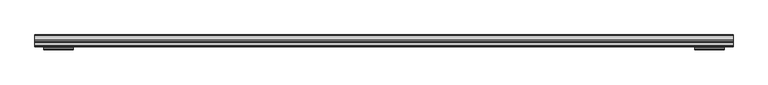
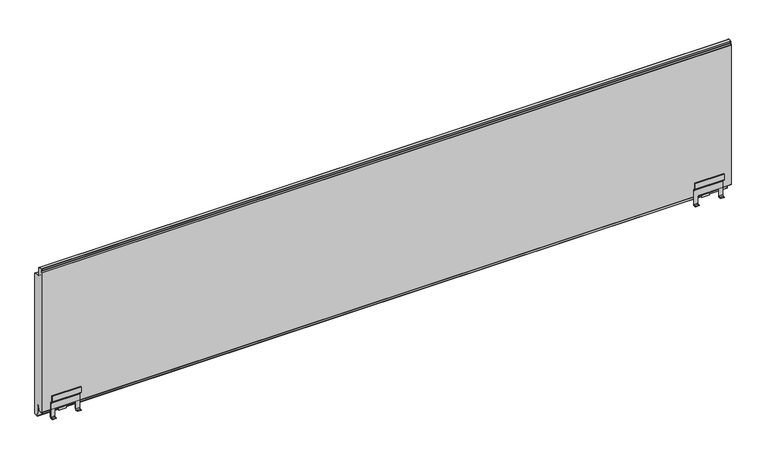
"""IFC4 building model written with IfcOpenShell, lengths in millimetres: plate geometry."""

from ifc_helpers import new_model, si_unit, point, frame, frame_2d, origin, place, context, project, spatial, polyline, circle_curve, trimmed, segment, composite_curve, outline, extrude, source, transform, mapped, element, save
from ifc_brep_helpers import plane_surface, cylinder_surface, revolved_surface, advanced_brep


def plate_a32ecf56(model_context):
    return source(origin(), model_context, "Body", "SolidModel", [
        advanced_brep(
        [(872.0, 133.5, 63.0766942), (872.0, 132.0, 63.0766942), (872.0, 132.0, 48.0751213), (872.0, 133.0251263, 45.6002476), (872.0, 137.9142136, 40.7111603), (872.0, 138.5, 39.2969467), (872.0, 138.5, 1.7954343), (872.0, 136.5, -0.2045657), (872.0, 132.0000052, -0.2045657), (872.0, 132.0000052, -1.7045657), (872.0, 136.5, -1.7045657), (872.0, 140.0, 1.7954343), (872.0, 140.0, 39.2969467), (872.0, 138.9748737, 41.7718205), (872.0, 134.0857864, 46.6609078), (872.0, 133.5, 48.0751213), (796.9999948, 133.5, 63.0766942), (796.9999948, 133.5, 48.0751213), (796.9999948, 134.0857864, 46.6609078), (796.9999948, 138.9748737, 41.7718205), (796.9999948, 140.0, 39.2969467), (796.9999948, 140.0, 1.7954343), (796.9999948, 136.5, -1.7045657), (796.9999948, 132.0000052, -1.7045657), (796.9999948, 132.0000052, -0.2045657), (796.9999948, 136.5, -0.2045657), (796.9999948, 138.5, 1.7954343), (796.9999948, 138.5, 39.2969467), (796.9999948, 137.9142136, 40.7111603), (796.9999948, 133.0251263, 45.6002476), (796.9999948, 132.0, 48.0751213), (796.9999948, 132.0, 63.0766942), (806.9999948, 138.5, 1.7954343), (806.9999948, 138.5, 21.4949549), (808.4999948, 138.5, 21.4949549), (860.4999948, 138.5, 21.5), (861.9999948, 138.5, 21.4949549), (861.9999948, 138.5, 1.7954343), (861.9999948, 136.5, -0.2045657), (806.9999948, 136.5, -0.2045657), (861.9999948, 132.0000052, -0.2045657), (806.9999948, 132.0000052, -0.2045657), (861.9999948, 132.0000052, -1.7045657), (806.9999948, 132.0000052, -1.7045657), (861.9999948, 136.5, -1.7045657), (806.9999948, 136.5, -1.7045657), (861.9999948, 140.0, 1.7954343), (806.9999948, 140.0, 1.7954343), (861.9999948, 140.0, 21.4949549), (860.4999948, 140.0, 21.4949549), (808.4999948, 140.0, 21.5), (806.9999948, 140.0, 21.4949549), (860.4999948, 142.0, 19.5), (860.4999948, 139.9736841, 18.6462229), (860.4999948, 141.9999999, 18.0), (860.4999948, 150.5069508, 18.0), (860.4999948, 152.2536916, 18.4670317), (860.4999948, 153.9952504, 21.1949549), (860.4999948, 155.2506896, 31.8238549), (860.4999948, 153.7617614, 32.0), (860.4999948, 152.4938373, 21.2653996), (860.4999948, 150.5076443, 19.5), (808.4999948, 142.0, 19.5), (808.4999948, 150.5076443, 19.5), (808.4999948, 152.4938373, 21.2653996), (808.4999948, 153.7617614, 32.0), (808.4999948, 155.2506896, 31.8238549), (808.4999948, 153.9952504, 21.1949549), (808.4999948, 152.2536916, 18.4670317), (808.4999948, 150.5069508, 18.0), (808.4999948, 147.9501547, 18.0), (808.4999948, 141.9999999, 18.0), (808.4999948, 140.0, 18.6277187), (824.9999948, 150.5069508, 18.0), (843.9999948, 150.5069508, 18.0), (824.9999948, 152.2536916, 18.4670317), (843.9999948, 152.2536916, 18.4670317), (843.9999948, 151.2000052, 3.0), (824.9999948, 151.2000052, 3.0), (843.9999948, 152.6965553, 2.8983251), (824.9999948, 152.6965553, 2.8983251), (843.9999948, 153.9952504, 21.1949549), (824.9999948, 153.9952504, 21.1949549), (824.9999948, 155.2506896, 31.8238549), (843.9999948, 155.2506896, 31.8238549)],
        [
            (0, 1),
            (1, 2),
            (2, 3, circle_curve(frame((872.0, 135.5, 48.0751213), z_axis=(1.0, 0.0, 0.0), x_axis=(0.0, 1.0, 0.0)), 3.5)),
            (3, 4),
            (4, 5, circle_curve(frame((872.0, 136.5, 39.2969467), z_axis=(-1.0, 0.0, 0.0), x_axis=(0.0, 1.0, 0.0)), 2.0)),
            (5, 6),
            (6, 7, circle_curve(frame((872.0, 136.5, 1.7954343), z_axis=(-1.0, 0.0, 0.0), x_axis=(0.0, 1.0, 0.0)), 2.0)),
            (7, 8),
            (8, 9),
            (9, 10),
            (10, 11, circle_curve(frame((872.0, 136.5, 1.7954343), z_axis=(1.0, 0.0, 0.0), x_axis=(0.0, 1.0, 0.0)), 3.5)),
            (11, 12),
            (12, 13, circle_curve(frame((872.0, 136.5, 39.2969467), z_axis=(1.0, 0.0, 0.0), x_axis=(0.0, 1.0, 0.0)), 3.5)),
            (13, 14),
            (14, 15, circle_curve(frame((872.0, 135.5, 48.0751213), z_axis=(-1.0, 0.0, 0.0), x_axis=(0.0, 1.0, 0.0)), 2.0)),
            (15, 0),
            (16, 17),
            (17, 18, circle_curve(frame((796.9999948, 135.5, 48.0751213), z_axis=(1.0, 0.0, 0.0), x_axis=(0.0, 1.0, 0.0)), 2.0)),
            (18, 19),
            (19, 20, circle_curve(frame((796.9999948, 136.5, 39.2969467), z_axis=(-1.0, 0.0, 0.0), x_axis=(0.0, 1.0, 0.0)), 3.5)),
            (20, 21),
            (21, 22, circle_curve(frame((796.9999948, 136.5, 1.7954343), z_axis=(-1.0, 0.0, 0.0), x_axis=(0.0, 1.0, 0.0)), 3.5)),
            (22, 23),
            (23, 24),
            (24, 25),
            (25, 26, circle_curve(frame((796.9999948, 136.5, 1.7954343), z_axis=(1.0, 0.0, 0.0), x_axis=(0.0, 1.0, 0.0)), 2.0)),
            (26, 27),
            (27, 28, circle_curve(frame((796.9999948, 136.5, 39.2969467), z_axis=(1.0, 0.0, 0.0), x_axis=(0.0, 1.0, 0.0)), 2.0)),
            (28, 29),
            (29, 30, circle_curve(frame((796.9999948, 135.5, 48.0751213), z_axis=(-1.0, 0.0, 0.0), x_axis=(0.0, 1.0, 0.0)), 3.5)),
            (30, 31),
            (31, 16),
            (0, 16),
            (31, 1),
            (30, 2),
            (29, 3),
            (28, 4),
            (27, 5),
            (26, 32),
            (32, 33),
            (33, 34),
            (34, 35),
            (35, 36),
            (36, 37),
            (37, 6),
            (37, 38, circle_curve(frame((861.9999948, 136.5, 1.7954343), z_axis=(-1.0, 0.0, 0.0), x_axis=(0.0, 1.0, 0.0)), 2.0)),
            (38, 7),
            (25, 39),
            (39, 32, circle_curve(frame((806.9999948, 136.5, 1.7954343), z_axis=(1.0, 0.0, 0.0), x_axis=(0.0, 1.0, 0.0)), 2.0)),
            (38, 40),
            (40, 8),
            (24, 41),
            (41, 39),
            (40, 42),
            (42, 9),
            (23, 43),
            (43, 41),
            (42, 44),
            (44, 10),
            (22, 45),
            (45, 43),
            (44, 46, circle_curve(frame((861.9999948, 136.5, 1.7954343), z_axis=(1.0, 0.0, 0.0), x_axis=(0.0, 1.0, 0.0)), 3.5)),
            (46, 11),
            (21, 47),
            (47, 45, circle_curve(frame((806.9999948, 136.5, 1.7954343), z_axis=(-1.0, 0.0, 0.0), x_axis=(0.0, 1.0, 0.0)), 3.5)),
            (46, 48),
            (48, 49),
            (49, 50),
            (50, 51),
            (51, 47),
            (20, 12),
            (19, 13),
            (18, 14),
            (17, 15),
            (36, 48),
            (51, 33),
            (35, 49),
            (50, 34),
            (52, 49, circle_curve(frame((860.4999948, 142.0, 21.5), z_axis=(-1.0, 0.0, 0.0), x_axis=(0.0, 1.0, 0.0)), 2.0)),
            (35, 53, circle_curve(frame((860.4999948, 142.0, 21.5), z_axis=(1.0, 0.0, 0.0), x_axis=(0.0, 1.0, 0.0)), 3.5)),
            (53, 54, circle_curve(frame((860.4999948, 141.9999999, 21.5), z_axis=(1.0, 0.0, 0.0), x_axis=(0.0, 1.0, 0.0)), 3.5)),
            (54, 55),
            (55, 56, circle_curve(frame((860.4999948, 150.5069508, 21.5), z_axis=(1.0, 0.0, 0.0), x_axis=(0.0, 1.0, 0.0)), 3.5)),
            (56, 57, circle_curve(frame((860.4999948, 150.502195, 21.5051049), z_axis=(1.0, 0.0, 0.0), x_axis=(0.0, 1.0, 0.0)), 3.5067975)),
            (57, 58),
            (58, 59),
            (59, 60),
            (60, 61, circle_curve(frame((860.4999948, 150.5076443, 21.5), z_axis=(-1.0, 0.0, 0.0), x_axis=(0.0, 1.0, 0.0)), 2.0)),
            (61, 52),
            (62, 63),
            (63, 64, circle_curve(frame((808.4999948, 150.5076443, 21.5), z_axis=(1.0, 0.0, 0.0), x_axis=(0.0, 1.0, 0.0)), 2.0)),
            (64, 65),
            (65, 66),
            (66, 67),
            (67, 68, circle_curve(frame((808.4999948, 150.502195, 21.5051049), z_axis=(-1.0, 0.0, 0.0), x_axis=(0.0, 1.0, 0.0)), 3.5067975)),
            (68, 69, circle_curve(frame((808.4999948, 150.5069508, 21.5), z_axis=(-1.0, 0.0, 0.0), x_axis=(0.0, 1.0, 0.0)), 3.5)),
            (69, 70),
            (70, 71),
            (71, 72, circle_curve(frame((808.4999948, 141.9999999, 21.5), z_axis=(-1.0, 0.0, 0.0), x_axis=(0.0, 1.0, 0.0)), 3.5)),
            (72, 34, circle_curve(frame((808.4999948, 142.0, 21.5), z_axis=(-1.0, 0.0, 0.0), x_axis=(0.0, 1.0, 0.0)), 3.5)),
            (50, 62, circle_curve(frame((808.4999948, 142.0, 21.5), z_axis=(1.0, 0.0, 0.0), x_axis=(0.0, 1.0, 0.0)), 2.0)),
            (52, 62),
            (72, 53),
            (71, 54),
            (69, 73),
            (73, 74),
            (74, 55),
            (68, 75),
            (75, 76),
            (76, 56),
            (77, 76),
            (75, 78),
            (78, 77),
            (79, 77),
            (78, 80),
            (80, 79),
            (81, 79),
            (80, 82),
            (82, 81),
            (57, 81),
            (82, 67),
            (66, 83),
            (83, 84),
            (84, 58),
            (65, 59),
            (64, 60),
            (63, 61),
            (81, 76, circle_curve(frame((843.9999948, 150.502195, 21.5051049), z_axis=(-1.0, 0.0, 0.0), x_axis=(0.0, 1.0, 0.0)), 3.5067975)),
            (75, 82, circle_curve(frame((824.9999948, 150.502195, 21.5051049), z_axis=(1.0, 0.0, 0.0), x_axis=(0.0, 1.0, 0.0)), 3.5067975)),
        ],
        [
            plane_surface(frame((872.0, 132.0, 63.7908685), z_axis=(1.0, 0.0, 0.0), x_axis=(0.0, 1.0, 0.0))),
            plane_surface(frame((796.9999948, 132.0, 63.7908685), z_axis=(-1.0, 0.0, 0.0), x_axis=(0.0, 1.0, 0.0))),
            plane_surface(frame((872.0, 133.5, 63.0766942), z_axis=(0.0, 0.0, 1.0), x_axis=(-1.0, 0.0, 0.0))),
            plane_surface(frame((872.0, 132.0, 63.0766942), z_axis=(0.0, -1.0, 0.0), x_axis=(-1.0, 0.0, 0.0))),
            cylinder_surface(frame((872.0, 135.5, 48.0751213), z_axis=(1.0, 0.0, 0.0), x_axis=(0.0, 1.0, 0.0)), 3.5),
            plane_surface(frame((872.0, 133.0251263, 45.6002476), z_axis=(0.0, -0.7071067811823375, -0.7071067811907575), x_axis=(-1.0, 0.0, 0.0))),
            revolved_surface(polyline([(796.9999948, 138.5, 39.2969467), (872.0, 138.5, 39.2969467)]), (872.0, 136.5, 39.2969467), (-1.0, 0.0, 0.0)),
            plane_surface(frame((872.0, 138.5, 39.2969467), z_axis=(0.0, -1.0, 0.0), x_axis=(-1.0, 0.0, 0.0))),
            revolved_surface(polyline([(861.9999948, 138.5, 1.7954343), (872.0, 138.5, 1.7954343)]), (872.0, 136.5, 1.7954343), (-1.0, 0.0, 0.0)),
            revolved_surface(polyline([(796.9999948, 138.5, 1.7954343), (806.9999948, 138.5, 1.7954343)]), (872.0, 136.5, 1.7954343), (-1.0, 0.0, 0.0)),
            plane_surface(frame((872.0, 136.5, -0.2045657), z_axis=(0.0, 0.0, 1.0), x_axis=(-1.0, 0.0, 0.0))),
            plane_surface(frame((872.0, 132.0000052, -0.2045657), z_axis=(0.0, -1.0, 0.0), x_axis=(-1.0, 0.0, 0.0))),
            plane_surface(frame((872.0, 132.0000052, -1.7045657), z_axis=(0.0, 0.0, -1.0), x_axis=(-1.0, 0.0, 0.0))),
            cylinder_surface(frame((872.0, 136.5, 1.7954343), z_axis=(1.0, 0.0, 0.0), x_axis=(0.0, 1.0, 0.0)), 3.5),
            plane_surface(frame((872.0, 140.0, 1.7954343), z_axis=(0.0, 1.0, 0.0), x_axis=(-1.0, 0.0, 0.0))),
            cylinder_surface(frame((872.0, 136.5, 39.2969467), z_axis=(1.0, 0.0, 0.0), x_axis=(0.0, 1.0, 0.0)), 3.5),
            plane_surface(frame((872.0, 138.9748737, 41.7718205), z_axis=(0.0, 0.707106781190757, 0.707106781182338), x_axis=(-1.0, 0.0, 0.0))),
            revolved_surface(polyline([(796.9999948, 137.5, 48.0751213), (872.0, 137.5, 48.0751213)]), (872.0, 135.5, 48.0751213), (-1.0, 0.0, 0.0)),
            plane_surface(frame((872.0, 133.5, 48.0751213), z_axis=(0.0, 1.0, 0.0), x_axis=(-1.0, 0.0, 0.0))),
            plane_surface(frame((861.9999948, 140.0, 21.4949549), z_axis=(-1.0, 0.0, 0.0), x_axis=(0.0, -1.0, 0.0))),
            plane_surface(frame((806.9999948, 140.0, -2.7091315), z_axis=(1.0, 0.0, 0.0), x_axis=(0.0, -1.0, 0.0))),
            plane_surface(frame((806.9999948, 140.0, 21.4949549), z_axis=(0.0, 0.0, -1.0), x_axis=(0.0, -1.0, 0.0))),
            plane_surface(frame((860.4999948, 132.0, 32.4954343), z_axis=(1.0, 0.0, 0.0), x_axis=(0.0, 1.0, 0.0))),
            plane_surface(frame((808.4999948, 132.0, 32.4954343), z_axis=(-1.0, 0.0, 0.0), x_axis=(0.0, 1.0, 0.0))),
            revolved_surface(polyline([(808.4999948, 144.0, 21.5), (860.4999948, 144.0, 21.5)]), (860.4999948, 142.0, 21.5), (-1.0, 0.0, 0.0)),
            cylinder_surface(frame((860.4999948, 142.0, 21.5), z_axis=(1.0, 0.0, 0.0), x_axis=(0.0, 1.0, 0.0)), 3.5),
            cylinder_surface(frame((860.4999948, 141.9999999, 21.5), z_axis=(1.0, 0.0, 0.0), x_axis=(0.0, 1.0, 0.0)), 3.5),
            plane_surface(frame((860.4999948, 141.9999999, 18.0), z_axis=(0.0, 0.0, -1.0), x_axis=(-1.0, 0.0, 0.0))),
            cylinder_surface(frame((860.4999948, 150.5069508, 21.5), z_axis=(1.0, 0.0, 0.0), x_axis=(0.0, 1.0, 0.0)), 3.5),
            plane_surface(frame((860.4999948, 152.2536916, 18.4670317), z_axis=(0.0, -0.9976875606869263, 0.06796713360566971), x_axis=(-1.0, 0.0, 0.0))),
            plane_surface(frame((860.4999948, 151.2000052, 3.0), z_axis=(0.0, -0.06778329456574599, -0.9977000676444867), x_axis=(-1.0, 0.0, 0.0))),
            plane_surface(frame((860.4999948, 152.6965553, 2.8983251), z_axis=(0.0, 0.9974903975436773, -0.07080188421332127), x_axis=(-1.0, 0.0, 0.0))),
            plane_surface(frame((860.4999948, 154.500471, 25.4722938), z_axis=(0.0, 0.9930964999268389, -0.11730022094208546), x_axis=(-1.0, 0.0, 0.0))),
            plane_surface(frame((860.4999948, 155.2506896, 31.8238549), z_axis=(0.0, 0.11748400802588121, 0.9930747745553579), x_axis=(-1.0, 0.0, 0.0))),
            plane_surface(frame((860.4999948, 153.7617614, 32.0), z_axis=(0.0, -0.9930964999255651, 0.1173002209528698), x_axis=(-1.0, 0.0, 0.0))),
            revolved_surface(polyline([(808.4999948, 152.5076443, 21.5), (860.4999948, 152.5076443, 21.5)]), (860.4999948, 150.5076443, 21.5), (-1.0, 0.0, 0.0)),
            plane_surface(frame((860.4999948, 150.5076443, 19.5), z_axis=(0.0, 0.0, 1.0), x_axis=(-1.0, 0.0, 0.0))),
            plane_surface(frame((843.9999948, 154.0089925, 21.5051049), z_axis=(1.0, 0.0, 0.0), x_axis=(0.0, 0.0, 1.0))),
            cylinder_surface(frame((860.4999948, 150.502195, 21.5051049), z_axis=(1.0, 0.0, 0.0), x_axis=(0.0, 1.0, 0.0)), 3.5067975),
            plane_surface(frame((824.9999948, 154.0089925, 21.5051049), z_axis=(-1.0, 0.0, 0.0), x_axis=(0.0, 0.0, -1.0))),
            cylinder_surface(frame((824.9999948, 150.502195, 21.5051049), z_axis=(1.0, 0.0, 0.0), x_axis=(0.0, 1.0, 0.0)), 3.5067975),
        ],
        [
            (0, [[1, 2, 3, 4, 5, 6, 7, 8, 9, 10, 11, 12, 13, 14, 15, 16]]),
            (1, [[17, 18, 19, 20, 21, 22, 23, 24, 25, 26, 27, 28, 29, 30, 31, 32]]),
            (2, [[-1, 33, -32, 34]]),
            (3, [[-2, -34, -31, 35]]),
            (4, [[-3, -35, -30, 36]]),
            (5, [[-4, -36, -29, 37]]),
            (6, [[-5, -37, -28, 38]]),
            (7, [[-6, -38, -27, 39, 40, 41, 42, 43, 44, 45]]),
            (8, [[-7, -45, 46, 47]]),
            (9, [[-26, 48, 49, -39]]),
            (10, [[-8, -47, 50, 51]]),
            (10, [[-25, 52, 53, -48]]),
            (11, [[-9, -51, 54, 55]]),
            (11, [[-24, 56, 57, -52]]),
            (12, [[-10, -55, 58, 59]]),
            (12, [[-23, 60, 61, -56]]),
            (13, [[-11, -59, 62, 63]]),
            (13, [[-22, 64, 65, -60]]),
            (14, [[-12, -63, 66, 67, 68, 69, 70, -64, -21, 71]]),
            (15, [[-13, -71, -20, 72]]),
            (16, [[-14, -72, -19, 73]]),
            (17, [[-15, -73, -18, 74]]),
            (18, [[-16, -74, -17, -33]]),
            (19, [[75, -66, -62, -58, -54, -50, -46, -44]]),
            (20, [[76, -40, -49, -53, -57, -61, -65, -70]]),
            (21, [[-75, -43, 77, -67]]),
            (21, [[-76, -69, 78, -41]]),
            (22, [[79, -77, 80, 81, 82, 83, 84, 85, 86, 87, 88, 89]]),
            (23, [[90, 91, 92, 93, 94, 95, 96, 97, 98, 99, 100, -78, 101]]),
            (24, [[-79, 102, -101, -68]]),
            (25, [[-80, -42, -100, 103]]),
            (26, [[-81, -103, -99, 104]]),
            (27, [[-82, -104, -98, -97, 105, 106, 107]]),
            (28, [[-83, -107, -106, -105, -96, 108, 109, 110]]),
            (29, [[111, -109, 112, 113]]),
            (30, [[114, -113, 115, 116]]),
            (31, [[117, -116, 118, 119]]),
            (32, [[-85, 120, -119, 121, -94, 122, 123, 124]]),
            (33, [[-86, -124, -123, -122, -93, 125]]),
            (34, [[-87, -125, -92, 126]]),
            (35, [[-88, -126, -91, 127]]),
            (36, [[-89, -127, -90, -102]]),
            (37, [[128, -111, -114, -117]]),
            (38, [[-128, -120, -84, -110]]),
            (39, [[129, -118, -115, -112]]),
            (40, [[-129, -108, -95, -121]]),
        ],
    ),
        advanced_brep(
        [(-872.0, 133.5, 63.0766942), (-872.0, 133.5, 48.0751213), (-872.0, 134.0857864, 46.6609078), (-872.0, 138.9748737, 41.7718205), (-872.0, 140.0, 39.2969467), (-872.0, 140.0, 1.7954343), (-872.0, 136.5, -1.7045657), (-872.0, 132.0000052, -1.7045657), (-872.0, 132.0000052, -0.2045657), (-872.0, 136.5, -0.2045657), (-872.0, 138.5, 1.7954343), (-872.0, 138.5, 39.2969467), (-872.0, 137.9142136, 40.7111603), (-872.0, 133.0251263, 45.6002476), (-872.0, 132.0, 48.0751213), (-872.0, 132.0, 63.0766942), (-796.9999948, 133.5, 63.0766942), (-796.9999948, 132.0, 63.0766942), (-796.9999948, 132.0, 48.0751213), (-796.9999948, 133.0251263, 45.6002476), (-796.9999948, 137.9142136, 40.7111603), (-796.9999948, 138.5, 39.2969467), (-796.9999948, 138.5, 1.7954343), (-796.9999948, 136.5, -0.2045657), (-796.9999948, 132.0000052, -0.2045657), (-796.9999948, 132.0000052, -1.7045657), (-796.9999948, 136.5, -1.7045657), (-796.9999948, 140.0, 1.7954343), (-796.9999948, 140.0, 39.2969467), (-796.9999948, 138.9748737, 41.7718205), (-796.9999948, 134.0857864, 46.6609078), (-796.9999948, 133.5, 48.0751213), (-861.9999948, 138.5, 1.7954343), (-861.9999948, 138.5, 21.4949549), (-860.4999948, 138.5, 21.4949549), (-808.4999948, 138.5, 21.5), (-806.9999948, 138.5, 21.4949549), (-806.9999948, 138.5, 1.7954343), (-806.9999948, 136.5, -0.2045657), (-861.9999948, 136.5, -0.2045657), (-806.9999948, 132.0000052, -0.2045657), (-861.9999948, 132.0000052, -0.2045657), (-806.9999948, 132.0000052, -1.7045657), (-861.9999948, 132.0000052, -1.7045657), (-806.9999948, 136.5, -1.7045657), (-861.9999948, 136.5, -1.7045657), (-806.9999948, 140.0, 1.7954343), (-861.9999948, 140.0, 1.7954343), (-806.9999948, 140.0, 21.4949549), (-808.4999948, 140.0, 21.4949549), (-860.4999948, 140.0, 21.5), (-861.9999948, 140.0, 21.4949549), (-860.4999948, 142.0, 19.5), (-860.4999948, 150.5076443, 19.5), (-860.4999948, 152.4938373, 21.2653996), (-860.4999948, 153.7617614, 32.0), (-860.4999948, 155.2506896, 31.8238549), (-860.4999948, 153.9952504, 21.1949549), (-860.4999948, 152.2536916, 18.4670317), (-860.4999948, 150.5069508, 18.0), (-860.4999948, 141.9999999, 18.0), (-860.4999948, 140.0, 18.6277187), (-808.4999948, 142.0, 19.5), (-808.4999948, 139.9736841, 18.6462229), (-808.4999948, 141.9999999, 18.0), (-808.4999948, 147.9501547, 18.0), (-808.4999948, 150.5069508, 18.0), (-808.4999948, 152.2536916, 18.4670317), (-808.4999948, 153.9952504, 21.1949549), (-808.4999948, 155.2506896, 31.8238549), (-808.4999948, 153.7617614, 32.0), (-808.4999948, 152.4938373, 21.2653996), (-808.4999948, 150.5076443, 19.5), (-843.9999948, 150.5069508, 18.0), (-824.9999948, 150.5069508, 18.0), (-843.9999948, 152.2536916, 18.4670317), (-824.9999948, 152.2536916, 18.4670317), (-843.9999948, 151.2000052, 3.0), (-824.9999948, 151.2000052, 3.0), (-843.9999948, 152.6965553, 2.8983251), (-824.9999948, 152.6965553, 2.8983251), (-843.9999948, 153.9952504, 21.1949549), (-824.9999948, 153.9952504, 21.1949549), (-843.9999948, 155.2506896, 31.8238549), (-824.9999948, 155.2506896, 31.8238549)],
        [
            (0, 1),
            (1, 2, circle_curve(frame((-872.0, 135.5, 48.0751213), z_axis=(1.0, 0.0, 0.0), x_axis=(0.0, 1.0, 0.0)), 2.0)),
            (2, 3),
            (3, 4, circle_curve(frame((-872.0, 136.5, 39.2969467), z_axis=(-1.0, 0.0, 0.0), x_axis=(0.0, 1.0, 0.0)), 3.5)),
            (4, 5),
            (5, 6, circle_curve(frame((-872.0, 136.5, 1.7954343), z_axis=(-1.0, 0.0, 0.0), x_axis=(0.0, 1.0, 0.0)), 3.5)),
            (6, 7),
            (7, 8),
            (8, 9),
            (9, 10, circle_curve(frame((-872.0, 136.5, 1.7954343), z_axis=(1.0, 0.0, 0.0), x_axis=(0.0, 1.0, 0.0)), 2.0)),
            (10, 11),
            (11, 12, circle_curve(frame((-872.0, 136.5, 39.2969467), z_axis=(1.0, 0.0, 0.0), x_axis=(0.0, 1.0, 0.0)), 2.0)),
            (12, 13),
            (13, 14, circle_curve(frame((-872.0, 135.5, 48.0751213), z_axis=(-1.0, 0.0, 0.0), x_axis=(0.0, 1.0, 0.0)), 3.5)),
            (14, 15),
            (15, 0),
            (16, 17),
            (17, 18),
            (18, 19, circle_curve(frame((-796.9999948, 135.5, 48.0751213), z_axis=(1.0, 0.0, 0.0), x_axis=(0.0, 1.0, 0.0)), 3.5)),
            (19, 20),
            (20, 21, circle_curve(frame((-796.9999948, 136.5, 39.2969467), z_axis=(-1.0, 0.0, 0.0), x_axis=(0.0, 1.0, 0.0)), 2.0)),
            (21, 22),
            (22, 23, circle_curve(frame((-796.9999948, 136.5, 1.7954343), z_axis=(-1.0, 0.0, 0.0), x_axis=(0.0, 1.0, 0.0)), 2.0)),
            (23, 24),
            (24, 25),
            (25, 26),
            (26, 27, circle_curve(frame((-796.9999948, 136.5, 1.7954343), z_axis=(1.0, 0.0, 0.0), x_axis=(0.0, 1.0, 0.0)), 3.5)),
            (27, 28),
            (28, 29, circle_curve(frame((-796.9999948, 136.5, 39.2969467), z_axis=(1.0, 0.0, 0.0), x_axis=(0.0, 1.0, 0.0)), 3.5)),
            (29, 30),
            (30, 31, circle_curve(frame((-796.9999948, 135.5, 48.0751213), z_axis=(-1.0, 0.0, 0.0), x_axis=(0.0, 1.0, 0.0)), 2.0)),
            (31, 16),
            (15, 17),
            (16, 0),
            (14, 18),
            (13, 19),
            (12, 20),
            (11, 21),
            (10, 32),
            (32, 33),
            (33, 34),
            (34, 35),
            (35, 36),
            (36, 37),
            (37, 22),
            (37, 38, circle_curve(frame((-806.9999948, 136.5, 1.7954343), z_axis=(-1.0, 0.0, 0.0), x_axis=(0.0, 1.0, 0.0)), 2.0)),
            (38, 23),
            (9, 39),
            (39, 32, circle_curve(frame((-861.9999948, 136.5, 1.7954343), z_axis=(1.0, 0.0, 0.0), x_axis=(0.0, 1.0, 0.0)), 2.0)),
            (38, 40),
            (40, 24),
            (8, 41),
            (41, 39),
            (40, 42),
            (42, 25),
            (7, 43),
            (43, 41),
            (42, 44),
            (44, 26),
            (6, 45),
            (45, 43),
            (44, 46, circle_curve(frame((-806.9999948, 136.5, 1.7954343), z_axis=(1.0, 0.0, 0.0), x_axis=(0.0, 1.0, 0.0)), 3.5)),
            (46, 27),
            (5, 47),
            (47, 45, circle_curve(frame((-861.9999948, 136.5, 1.7954343), z_axis=(-1.0, 0.0, 0.0), x_axis=(0.0, 1.0, 0.0)), 3.5)),
            (4, 28),
            (46, 48),
            (48, 49),
            (49, 50),
            (50, 51),
            (51, 47),
            (3, 29),
            (2, 30),
            (1, 31),
            (51, 33),
            (36, 48),
            (35, 49),
            (50, 34),
            (52, 53),
            (53, 54, circle_curve(frame((-860.4999948, 150.5076443, 21.5), z_axis=(1.0, 0.0, 0.0), x_axis=(0.0, 1.0, 0.0)), 2.0)),
            (54, 55),
            (55, 56),
            (56, 57),
            (57, 58, circle_curve(frame((-860.4999948, 150.502195, 21.5051049), z_axis=(-1.0, 0.0, 0.0), x_axis=(0.0, 1.0, 0.0)), 3.5067975)),
            (58, 59, circle_curve(frame((-860.4999948, 150.5069508, 21.5), z_axis=(-1.0, 0.0, 0.0), x_axis=(0.0, 1.0, 0.0)), 3.5)),
            (59, 60),
            (60, 61, circle_curve(frame((-860.4999948, 141.9999999, 21.5), z_axis=(-1.0, 0.0, 0.0), x_axis=(0.0, 1.0, 0.0)), 3.5)),
            (61, 34, circle_curve(frame((-860.4999948, 142.0, 21.5), z_axis=(-1.0, 0.0, 0.0), x_axis=(0.0, 1.0, 0.0)), 3.5)),
            (50, 52, circle_curve(frame((-860.4999948, 142.0, 21.5), z_axis=(1.0, 0.0, 0.0), x_axis=(0.0, 1.0, 0.0)), 2.0)),
            (62, 49, circle_curve(frame((-808.4999948, 142.0, 21.5), z_axis=(-1.0, 0.0, 0.0), x_axis=(0.0, 1.0, 0.0)), 2.0)),
            (35, 63, circle_curve(frame((-808.4999948, 142.0, 21.5), z_axis=(1.0, 0.0, 0.0), x_axis=(0.0, 1.0, 0.0)), 3.5)),
            (63, 64, circle_curve(frame((-808.4999948, 141.9999999, 21.5), z_axis=(1.0, 0.0, 0.0), x_axis=(0.0, 1.0, 0.0)), 3.5)),
            (64, 65),
            (65, 66),
            (66, 67, circle_curve(frame((-808.4999948, 150.5069508, 21.5), z_axis=(1.0, 0.0, 0.0), x_axis=(0.0, 1.0, 0.0)), 3.5)),
            (67, 68, circle_curve(frame((-808.4999948, 150.502195, 21.5051049), z_axis=(1.0, 0.0, 0.0), x_axis=(0.0, 1.0, 0.0)), 3.5067975)),
            (68, 69),
            (69, 70),
            (70, 71),
            (71, 72, circle_curve(frame((-808.4999948, 150.5076443, 21.5), z_axis=(-1.0, 0.0, 0.0), x_axis=(0.0, 1.0, 0.0)), 2.0)),
            (72, 62),
            (62, 52),
            (61, 63),
            (60, 64),
            (59, 73),
            (73, 74),
            (74, 66),
            (58, 75),
            (75, 76),
            (76, 67),
            (77, 78),
            (78, 76),
            (75, 77),
            (79, 80),
            (80, 78),
            (77, 79),
            (81, 82),
            (82, 80),
            (79, 81),
            (56, 83),
            (83, 84),
            (84, 69),
            (68, 82),
            (81, 57),
            (55, 70),
            (54, 71),
            (53, 72),
            (75, 81, circle_curve(frame((-843.9999948, 150.502195, 21.5051049), z_axis=(1.0, 0.0, 0.0), x_axis=(0.0, 1.0, 0.0)), 3.5067975)),
            (82, 76, circle_curve(frame((-824.9999948, 150.502195, 21.5051049), z_axis=(-1.0, 0.0, 0.0), x_axis=(0.0, 1.0, 0.0)), 3.5067975)),
        ],
        [
            plane_surface(frame((-872.0, 132.0, 63.7908685), z_axis=(-1.0, 0.0, 0.0), x_axis=(0.0, 1.0, 0.0))),
            plane_surface(frame((-796.9999948, 132.0, 63.7908685), z_axis=(1.0, 0.0, 0.0), x_axis=(0.0, 1.0, 0.0))),
            plane_surface(frame((-872.0, 133.5, 63.0766942), z_axis=(0.0, 0.0, 1.0), x_axis=(1.0, 0.0, 0.0))),
            plane_surface(frame((-872.0, 132.0, 63.0766942), z_axis=(0.0, -1.0, 0.0), x_axis=(1.0, 0.0, 0.0))),
            cylinder_surface(frame((-872.0, 135.5, 48.0751213), z_axis=(-1.0, 0.0, 0.0), x_axis=(0.0, 1.0, 0.0)), 3.5),
            plane_surface(frame((-872.0, 133.0251263, 45.6002476), z_axis=(0.0, -0.7071067811823375, -0.7071067811907575), x_axis=(1.0, 0.0, 0.0))),
            revolved_surface(polyline([(-796.9999948, 138.5, 39.2969467), (-872.0, 138.5, 39.2969467)]), (-872.0, 136.5, 39.2969467), (1.0, 0.0, 0.0)),
            plane_surface(frame((-872.0, 138.5, 39.2969467), z_axis=(0.0, -1.0, 0.0), x_axis=(1.0, 0.0, 0.0))),
            revolved_surface(polyline([(-796.9999948, 138.5, 1.7954343), (-806.9999948, 138.5, 1.7954343)]), (-872.0, 136.5, 1.7954343), (1.0, 0.0, 0.0)),
            revolved_surface(polyline([(-861.9999948, 138.5, 1.7954343), (-872.0, 138.5, 1.7954343)]), (-872.0, 136.5, 1.7954343), (1.0, 0.0, 0.0)),
            plane_surface(frame((-872.0, 136.5, -0.2045657), z_axis=(0.0, 0.0, 1.0), x_axis=(1.0, 0.0, 0.0))),
            plane_surface(frame((-872.0, 132.0000052, -0.2045657), z_axis=(0.0, -1.0, 0.0), x_axis=(1.0, 0.0, 0.0))),
            plane_surface(frame((-872.0, 132.0000052, -1.7045657), z_axis=(0.0, 0.0, -1.0), x_axis=(1.0, 0.0, 0.0))),
            cylinder_surface(frame((-872.0, 136.5, 1.7954343), z_axis=(-1.0, 0.0, 0.0), x_axis=(0.0, 1.0, 0.0)), 3.5),
            plane_surface(frame((-872.0, 140.0, 1.7954343), z_axis=(0.0, 1.0, 0.0), x_axis=(1.0, 0.0, 0.0))),
            cylinder_surface(frame((-872.0, 136.5, 39.2969467), z_axis=(-1.0, 0.0, 0.0), x_axis=(0.0, 1.0, 0.0)), 3.5),
            plane_surface(frame((-872.0, 138.9748737, 41.7718205), z_axis=(0.0, 0.707106781190757, 0.707106781182338), x_axis=(1.0, 0.0, 0.0))),
            revolved_surface(polyline([(-796.9999948, 137.5, 48.0751213), (-872.0, 137.5, 48.0751213)]), (-872.0, 135.5, 48.0751213), (1.0, 0.0, 0.0)),
            plane_surface(frame((-872.0, 133.5, 48.0751213), z_axis=(0.0, 1.0, 0.0), x_axis=(1.0, 0.0, 0.0))),
            plane_surface(frame((-861.9999948, 140.0, 21.4949549), z_axis=(1.0, 0.0, 0.0), x_axis=(0.0, -1.0, 0.0))),
            plane_surface(frame((-806.9999948, 140.0, -2.7091315), z_axis=(-1.0, 0.0, 0.0), x_axis=(0.0, -1.0, 0.0))),
            plane_surface(frame((-806.9999948, 140.0, 21.4949549), z_axis=(0.0, 0.0, -1.0), x_axis=(0.0, -1.0, 0.0))),
            plane_surface(frame((-860.4999948, 132.0, 32.4954343), z_axis=(-1.0, 0.0, 0.0), x_axis=(0.0, 1.0, 0.0))),
            plane_surface(frame((-808.4999948, 132.0, 32.4954343), z_axis=(1.0, 0.0, 0.0), x_axis=(0.0, 1.0, 0.0))),
            revolved_surface(polyline([(-808.4999948, 144.0, 21.5), (-860.4999948, 144.0, 21.5)]), (-860.4999948, 142.0, 21.5), (1.0, 0.0, 0.0)),
            cylinder_surface(frame((-860.4999948, 142.0, 21.5), z_axis=(-1.0, 0.0, 0.0), x_axis=(0.0, 1.0, 0.0)), 3.5),
            cylinder_surface(frame((-860.4999948, 141.9999999, 21.5), z_axis=(-1.0, 0.0, 0.0), x_axis=(0.0, 1.0, 0.0)), 3.5),
            plane_surface(frame((-860.4999948, 141.9999999, 18.0), z_axis=(0.0, 0.0, -1.0), x_axis=(1.0, 0.0, 0.0))),
            cylinder_surface(frame((-860.4999948, 150.5069508, 21.5), z_axis=(-1.0, 0.0, 0.0), x_axis=(0.0, 1.0, 0.0)), 3.5),
            plane_surface(frame((-860.4999948, 152.2536916, 18.4670317), z_axis=(0.0, -0.9976875606869263, 0.06796713360566971), x_axis=(1.0, 0.0, 0.0))),
            plane_surface(frame((-860.4999948, 151.2000052, 3.0), z_axis=(0.0, -0.06778329456574599, -0.9977000676444867), x_axis=(1.0, 0.0, 0.0))),
            plane_surface(frame((-860.4999948, 152.6965553, 2.8983251), z_axis=(0.0, 0.9974903975436773, -0.07080188421332127), x_axis=(1.0, 0.0, 0.0))),
            plane_surface(frame((-860.4999948, 154.500471, 25.4722938), z_axis=(0.0, 0.9930964999268389, -0.11730022094208546), x_axis=(1.0, 0.0, 0.0))),
            plane_surface(frame((-860.4999948, 155.2506896, 31.8238549), z_axis=(0.0, 0.11748400802588121, 0.9930747745553579), x_axis=(1.0, 0.0, 0.0))),
            plane_surface(frame((-860.4999948, 153.7617614, 32.0), z_axis=(0.0, -0.9930964999255651, 0.1173002209528698), x_axis=(1.0, 0.0, 0.0))),
            revolved_surface(polyline([(-808.4999948, 152.5076443, 21.5), (-860.4999948, 152.5076443, 21.5)]), (-860.4999948, 150.5076443, 21.5), (1.0, 0.0, 0.0)),
            plane_surface(frame((-860.4999948, 150.5076443, 19.5), z_axis=(0.0, 0.0, 1.0), x_axis=(1.0, 0.0, 0.0))),
            plane_surface(frame((-843.9999948, 154.0089925, 21.5051049), z_axis=(-1.0, 0.0, 0.0), x_axis=(0.0, 0.0, 1.0))),
            cylinder_surface(frame((-860.4999948, 150.502195, 21.5051049), z_axis=(-1.0, 0.0, 0.0), x_axis=(0.0, 1.0, 0.0)), 3.5067975),
            plane_surface(frame((-824.9999948, 154.0089925, 21.5051049), z_axis=(1.0, 0.0, 0.0), x_axis=(0.0, 0.0, -1.0))),
            cylinder_surface(frame((-824.9999948, 150.502195, 21.5051049), z_axis=(-1.0, 0.0, 0.0), x_axis=(0.0, 1.0, 0.0)), 3.5067975),
        ],
        [
            (0, [[1, 2, 3, 4, 5, 6, 7, 8, 9, 10, 11, 12, 13, 14, 15, 16]]),
            (1, [[17, 18, 19, 20, 21, 22, 23, 24, 25, 26, 27, 28, 29, 30, 31, 32]]),
            (2, [[33, -17, 34, -16]]),
            (3, [[35, -18, -33, -15]]),
            (4, [[36, -19, -35, -14]]),
            (5, [[37, -20, -36, -13]]),
            (6, [[38, -21, -37, -12]]),
            (7, [[39, 40, 41, 42, 43, 44, 45, -22, -38, -11]]),
            (8, [[-45, 46, 47, -23]]),
            (9, [[48, 49, -39, -10]]),
            (10, [[-47, 50, 51, -24]]),
            (10, [[52, 53, -48, -9]]),
            (11, [[-51, 54, 55, -25]]),
            (11, [[56, 57, -52, -8]]),
            (12, [[-55, 58, 59, -26]]),
            (12, [[60, 61, -56, -7]]),
            (13, [[-59, 62, 63, -27]]),
            (13, [[64, 65, -60, -6]]),
            (14, [[66, -28, -63, 67, 68, 69, 70, 71, -64, -5]]),
            (15, [[72, -29, -66, -4]]),
            (16, [[73, -30, -72, -3]]),
            (17, [[74, -31, -73, -2]]),
            (18, [[-34, -32, -74, -1]]),
            (19, [[-40, -49, -53, -57, -61, -65, -71, 75]]),
            (20, [[-67, -62, -58, -54, -50, -46, -44, 76]]),
            (21, [[-43, 77, -68, -76]]),
            (21, [[-70, 78, -41, -75]]),
            (22, [[79, 80, 81, 82, 83, 84, 85, 86, 87, 88, -78, 89]]),
            (23, [[90, -77, 91, 92, 93, 94, 95, 96, 97, 98, 99, 100, 101]]),
            (24, [[-69, -90, 102, -89]]),
            (25, [[103, -91, -42, -88]]),
            (26, [[104, -92, -103, -87]]),
            (27, [[105, 106, 107, -94, -93, -104, -86]]),
            (28, [[108, 109, 110, -95, -107, -106, -105, -85]]),
            (29, [[111, 112, -109, 113]]),
            (30, [[114, 115, -111, 116]]),
            (31, [[117, 118, -114, 119]]),
            (32, [[120, 121, 122, -97, 123, -117, 124, -83]]),
            (33, [[125, -98, -122, -121, -120, -82]]),
            (34, [[126, -99, -125, -81]]),
            (35, [[127, -100, -126, -80]]),
            (36, [[-102, -101, -127, -79]]),
            (37, [[-119, -116, -113, 128]]),
            (38, [[-108, -84, -124, -128]]),
            (39, [[-112, -115, -118, 129]]),
            (40, [[-123, -96, -110, -129]]),
        ],
    ),
        extrude(outline(composite_curve([segment(polyline([(140.0, 21.5), (140.0, 404.0777409)]), True, "CONTINUOUS"), segment(trimmed(circle_curve(frame_2d((142.5000998, 404.0777409)), 2.5000998), [point((140.0, 404.0777409))], [point((140.1788154, 405.0062547))], False, "CARTESIAN"), True, "CONTINUOUS"), segment(polyline([(140.1788154, 405.0062547), (141.5240269, 408.3692833)]), True, "CONTINUOUS"), segment(trimmed(circle_curve(frame_2d((139.2027425, 409.2977971)), 2.5000998), [point((141.5240269, 408.3692833))], [point((141.7028423, 409.2977971))], True, "CARTESIAN"), True, "CONTINUOUS"), segment(polyline([(141.7028423, 409.2977971), (141.7028423, 413.3165214)]), True, "CONTINUOUS"), segment(trimmed(circle_curve(frame_2d((142.2028423, 413.3165214)), 0.5), [point((141.7028423, 413.3165214))], [point((142.2028423, 413.8165214))], False, "CARTESIAN"), True, "CONTINUOUS"), segment(polyline([(142.2028423, 413.8165214), (149.5003792, 413.8165214)]), True, "CONTINUOUS"), segment(trimmed(circle_curve(frame_2d((149.5003792, 411.3164216)), 2.5000998), [point((149.5003792, 413.8165214))], [point((152.000479, 411.3164216))], False, "CARTESIAN"), True, "CONTINUOUS"), segment(polyline([(152.000479, 411.3164216), (152.000479, 393.8859869)]), True, "CONTINUOUS"), segment(trimmed(circle_curve(frame_2d((157.0006786, 393.8859869)), 5.0001996), [point((152.000479, 393.8859869))], [point((156.4568352, 388.9154507))], True, "CARTESIAN"), True, "CONTINUOUS"), segment(polyline([(156.4568352, 388.9154507), (167.6297631, 388.0170804)]), True, "CONTINUOUS"), segment(trimmed(circle_curve(frame_2d((167.5010977, 385.5202936)), 2.5000998), [point((167.6297631, 388.0170804))], [point((170.0, 385.442923))], False, "CARTESIAN"), True, "CONTINUOUS"), segment(polyline([(170.0, 385.442923), (170.0, 2.5)]), True, "CONTINUOUS"), segment(trimmed(circle_curve(frame_2d((167.5, 2.5)), 2.5), [point((170.0, 2.5))], [point((167.5, 0.0))], False, "CARTESIAN"), True, "CONTINUOUS"), segment(polyline([(167.5, 0.0), (159.5000998, 0.0)]), True, "CONTINUOUS"), segment(trimmed(circle_curve(frame_2d((159.5000998, 1.3125167)), 1.3125167), [point((159.5000998, 0.0))], [point((158.4471688, 0.5289119))], False, "CARTESIAN"), True, "CONTINUOUS"), segment(polyline([(158.4471688, 0.5289119), (157.0, 15.0), (157.0, 31.5)]), True, "CONTINUOUS"), segment(trimmed(circle_curve(frame_2d((154.5, 31.5)), 2.5), [point((157.0, 31.5))], [point((152.0836431, 32.141264))], True, "CARTESIAN"), True, "CONTINUOUS"), segment(polyline([(152.0836431, 32.141264), (150.6703466, 21.3059912)]), True, "CONTINUOUS"), segment(trimmed(circle_curve(frame_2d((149.182946, 21.5)), 1.5), [point((150.6703466, 21.3059912))], [point((149.182946, 20.0))], False, "CARTESIAN"), True, "CONTINUOUS"), segment(polyline([(149.182946, 20.0), (141.5, 20.0)]), True, "CONTINUOUS"), segment(trimmed(circle_curve(frame_2d((141.5, 21.5)), 1.5), [point((141.5, 20.0))], [point((140.0, 21.5))], False, "CARTESIAN"), True, "CONTINUOUS")], self_intersect=False)), frame((-895.0, 0.0, 0.0), z_axis=(1.0, 0.0, 0.0), x_axis=(0.0, 1.0, 0.0)), (0.0, 0.0, 1.0), 1790.0),
    ])


if __name__ == "__main__":
    model = new_model("IFC4")
    model_context = context("Model", 3, world=origin())
    ifc_project = project(units=[si_unit("LENGTHUNIT", "METRE", prefix="MILLI")], contexts=[model_context])
    site = spatial("IfcSite", under=ifc_project)
    building = spatial("IfcBuilding", under=site)
    placement = place(None, origin())
    plate_shape = plate_a32ecf56(model_context)
    element("IfcPlate", 1, at=placement, inside=building, context=model_context, shape_type="MappedRepresentation", body=[
        mapped(plate_shape, transform((0.0, 0.0, 0.0), x_axis=(1.0, 0.0, 0.0), y_axis=(0.0, 1.0, 0.0), z_axis=(0.0, 0.0, 1.0))),
    ])
    save(model, "model.ifc")
